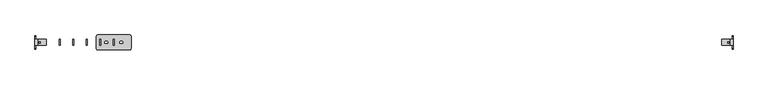
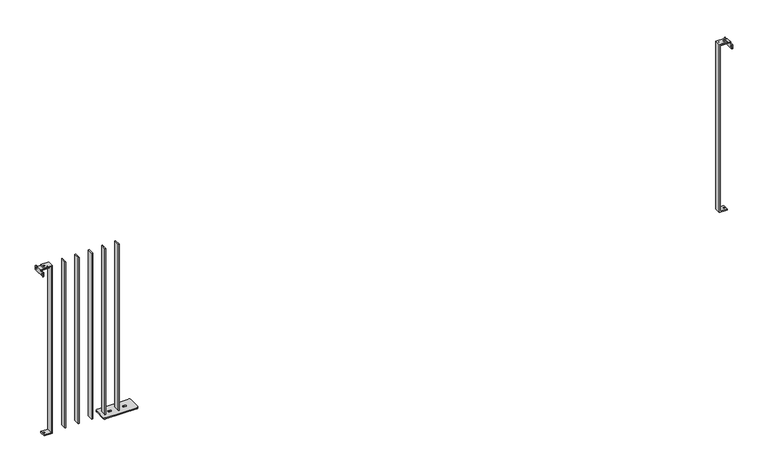
"""IFC4 building model written with IfcOpenShell, lengths in millimetres: railing geometry."""

from ifc_helpers import new_model, si_unit, frame, origin, place, context, project, spatial, polyline, circle_curve, outline, extrude, source, transform, mapped, element, save
from ifc_brep_helpers import plane_surface, cylinder_surface, revolved_surface, advanced_brep


def railing_ed0f3874(model_context):
    return source(origin(), model_context, "Body", "SolidModel", [
        advanced_brep(
        [(1839.4391725, -978.0676747, 1192.0), (1839.4391725, -978.0676747, 8.0), (1845.4391725, -978.0676747, 8.0), (1845.4391725, -978.0676747, 1192.0), (1839.4391725, -938.0676747, 1192.0), (1845.4391725, -938.0676747, 1192.0), (1845.4391725, -938.0676747, 8.0), (1839.4391725, -938.0676747, 8.0), (1737.4391725, -908.0676747, 8.0), (1727.4391725, -918.0676747, 8.0), (1727.4391725, -998.0676747, 8.0), (1737.4391725, -1008.0676747, 8.0), (1947.4391725, -1008.0676747, 8.0), (1957.4391725, -998.0676747, 8.0), (1957.4391725, -918.0676747, 8.0), (1947.4391725, -908.0676747, 8.0), (1788.4391725, -951.0676747, 8.0), (1796.4391725, -951.0676747, 8.0), (1796.4391725, -965.0676747, 8.0), (1788.4391725, -965.0676747, 8.0), (1896.4391725, -951.0676747, 8.0), (1896.4391725, -965.0676747, 8.0), (1888.4391725, -965.0676747, 8.0), (1888.4391725, -951.0676747, 8.0), (1737.4391725, -908.0676747, 0.0), (1947.4391725, -908.0676747, 0.0), (1957.4391725, -918.0676747, 0.0), (1957.4391725, -998.0676747, 0.0), (1947.4391725, -1008.0676747, 0.0), (1737.4391725, -1008.0676747, 0.0), (1727.4391725, -998.0676747, 0.0), (1727.4391725, -918.0676747, 0.0), (1788.4391725, -951.0676747, 0.0), (1788.4391725, -965.0676747, 0.0), (1796.4391725, -965.0676747, 0.0), (1796.4391725, -951.0676747, 0.0), (1896.4391725, -951.0676747, 0.0), (1888.4391725, -951.0676747, 0.0), (1888.4391725, -965.0676747, 0.0), (1896.4391725, -965.0676747, 0.0)],
        [
            (0, 1),
            (1, 2),
            (2, 3),
            (3, 0),
            (4, 5),
            (5, 6),
            (6, 7),
            (7, 4),
            (3, 5),
            (4, 0),
            (7, 1),
            (2, 6),
            (8, 9, circle_curve(frame((1737.4391725, -918.0676747, 8.0), z_axis=(0.0, 0.0, 1.0), x_axis=(0.0, 1.0, 0.0)), 10.0)),
            (9, 10),
            (10, 11, circle_curve(frame((1737.4391725, -998.0676747, 8.0), z_axis=(0.0, 0.0, 1.0), x_axis=(0.0, 1.0, 0.0)), 10.0)),
            (11, 12),
            (12, 13, circle_curve(frame((1947.4391725, -998.0676747, 8.0), z_axis=(0.0, 0.0, 1.0), x_axis=(0.0, 1.0, 0.0)), 10.0)),
            (13, 14),
            (14, 15, circle_curve(frame((1947.4391725, -918.0676747, 8.0), z_axis=(0.0, 0.0, 1.0), x_axis=(0.0, 1.0, 0.0)), 10.0)),
            (15, 8),
            (16, 17),
            (17, 18, circle_curve(frame((1796.4391725, -958.0676747, 8.0), z_axis=(0.0, 0.0, -1.0), x_axis=(0.0, 1.0, 0.0)), 7.0)),
            (18, 19),
            (19, 16, circle_curve(frame((1788.4391725, -958.0676747, 8.0), z_axis=(0.0, 0.0, -1.0), x_axis=(0.0, 1.0, 0.0)), 7.0)),
            (20, 21, circle_curve(frame((1896.4391725, -958.0676747, 8.0), z_axis=(0.0, 0.0, -1.0), x_axis=(0.0, 1.0, 0.0)), 7.0)),
            (21, 22),
            (22, 23, circle_curve(frame((1888.4391725, -958.0676747, 8.0), z_axis=(0.0, 0.0, -1.0), x_axis=(0.0, 1.0, 0.0)), 7.0)),
            (23, 20),
            (24, 25),
            (25, 26, circle_curve(frame((1947.4391725, -918.0676747, 0.0), z_axis=(0.0, 0.0, -1.0), x_axis=(0.0, 1.0, 0.0)), 10.0)),
            (26, 27),
            (27, 28, circle_curve(frame((1947.4391725, -998.0676747, 0.0), z_axis=(0.0, 0.0, -1.0), x_axis=(0.0, 1.0, 0.0)), 10.0)),
            (28, 29),
            (29, 30, circle_curve(frame((1737.4391725, -998.0676747, 0.0), z_axis=(0.0, 0.0, -1.0), x_axis=(0.0, 1.0, 0.0)), 10.0)),
            (30, 31),
            (31, 24, circle_curve(frame((1737.4391725, -918.0676747, 0.0), z_axis=(0.0, 0.0, -1.0), x_axis=(0.0, 1.0, 0.0)), 10.0)),
            (32, 33, circle_curve(frame((1788.4391725, -958.0676747, 0.0), z_axis=(0.0, 0.0, 1.0), x_axis=(0.0, 1.0, 0.0)), 7.0)),
            (33, 34),
            (34, 35, circle_curve(frame((1796.4391725, -958.0676747, 0.0), z_axis=(0.0, 0.0, 1.0), x_axis=(0.0, 1.0, 0.0)), 7.0)),
            (35, 32),
            (36, 37),
            (37, 38, circle_curve(frame((1888.4391725, -958.0676747, 0.0), z_axis=(0.0, 0.0, 1.0), x_axis=(0.0, 1.0, 0.0)), 7.0)),
            (38, 39),
            (39, 36, circle_curve(frame((1896.4391725, -958.0676747, 0.0), z_axis=(0.0, 0.0, 1.0), x_axis=(0.0, 1.0, 0.0)), 7.0)),
            (8, 24),
            (31, 9),
            (30, 10),
            (29, 11),
            (28, 12),
            (27, 13),
            (26, 14),
            (25, 15),
            (16, 32),
            (35, 17),
            (34, 18),
            (33, 19),
            (20, 36),
            (39, 21),
            (38, 22),
            (37, 23),
        ],
        [
            plane_surface(frame((1839.4391725, -978.0676747, 1192.0), z_axis=(0.0, -1.0, 0.0), x_axis=(-1.0, 0.0, 0.0))),
            plane_surface(frame((1839.4391725, -938.0676747, 1192.0), z_axis=(0.0, 1.0, 0.0), x_axis=(1.0, 0.0, 0.0))),
            plane_surface(frame((1839.4391725, -938.0676747, 1192.0), z_axis=(0.0, 0.0, 1.0), x_axis=(0.0, -1.0, 0.0))),
            plane_surface(frame((1839.4391725, -938.0676747, 8.0), z_axis=(-1.0, 0.0, 0.0), x_axis=(0.0, -1.0, 0.0))),
            plane_surface(frame((1845.4391725, -938.0676747, 1192.0), z_axis=(1.0, 0.0, 0.0), x_axis=(0.0, -1.0, 0.0))),
            plane_surface(frame((1737.4391725, -908.0676747, 8.0), z_axis=(0.0, 0.0, 1.0), x_axis=(-1.0, 0.0, 0.0))),
            plane_surface(frame((1737.4391725, -908.0676747, 0.0), z_axis=(0.0, 0.0, -1.0), x_axis=(1.0, 0.0, 0.0))),
            cylinder_surface(frame((1737.4391725, -918.0676747, 0.0), z_axis=(0.0, 0.0, 1.0), x_axis=(0.0, 1.0, 0.0)), 10.0),
            plane_surface(frame((1727.4391725, -918.0676747, 8.0), z_axis=(-1.0, 0.0, 0.0), x_axis=(0.0, 0.0, -1.0))),
            cylinder_surface(frame((1737.4391725, -998.0676747, 0.0), z_axis=(0.0, 0.0, 1.0), x_axis=(0.0, 1.0, 0.0)), 10.0),
            plane_surface(frame((1737.4391725, -1008.0676747, 8.0), z_axis=(0.0, -1.0, 0.0), x_axis=(0.0, 0.0, -1.0))),
            cylinder_surface(frame((1947.4391725, -998.0676747, 0.0), z_axis=(0.0, 0.0, 1.0), x_axis=(0.0, 1.0, 0.0)), 10.0),
            plane_surface(frame((1957.4391725, -998.0676747, 8.0), z_axis=(1.0, 0.0, 0.0), x_axis=(0.0, 0.0, -1.0))),
            cylinder_surface(frame((1947.4391725, -918.0676747, 0.0), z_axis=(0.0, 0.0, 1.0), x_axis=(0.0, 1.0, 0.0)), 10.0),
            plane_surface(frame((1947.4391725, -908.0676747, 8.0), z_axis=(0.0, 1.0, 0.0), x_axis=(0.0, 0.0, -1.0))),
            plane_surface(frame((1788.4391725, -951.0676747, 8.0), z_axis=(0.0, -1.0, 0.0), x_axis=(0.0, 0.0, -1.0))),
            revolved_surface(polyline([(1796.4391725, -951.0676747, 0.0), (1796.4391725, -951.0676747, 8.0)]), (1796.4391725, -958.0676747, 8.0), (0.0, 0.0, -1.0)),
            plane_surface(frame((1796.4391725, -965.0676747, 8.0), z_axis=(0.0, 1.0, 0.0), x_axis=(0.0, 0.0, -1.0))),
            revolved_surface(polyline([(1788.4391725, -951.0676747, 0.0), (1788.4391725, -951.0676747, 8.0)]), (1788.4391725, -958.0676747, 8.0), (0.0, 0.0, -1.0)),
            revolved_surface(polyline([(1896.4391725, -951.0676747, 0.0), (1896.4391725, -951.0676747, 8.0)]), (1896.4391725, -958.0676747, 8.0), (0.0, 0.0, -1.0)),
            plane_surface(frame((1896.4391725, -965.0676747, 8.0), z_axis=(0.0, 1.0, 0.0), x_axis=(0.0, 0.0, -1.0))),
            revolved_surface(polyline([(1888.4391725, -951.0676747, 0.0), (1888.4391725, -951.0676747, 8.0)]), (1888.4391725, -958.0676747, 8.0), (0.0, 0.0, -1.0)),
            plane_surface(frame((1888.4391725, -951.0676747, 8.0), z_axis=(0.0, -1.0, 0.0), x_axis=(0.0, 0.0, -1.0))),
        ],
        [
            (0, [[1, 2, 3, 4]]),
            (1, [[5, 6, 7, 8]]),
            (2, [[-4, 9, -5, 10]]),
            (3, [[-1, -10, -8, 11]]),
            (4, [[-3, 12, -6, -9]]),
            (5, [[13, 14, 15, 16, 17, 18, 19, 20], [-2, -11, -7, -12], [21, 22, 23, 24], [25, 26, 27, 28]]),
            (6, [[29, 30, 31, 32, 33, 34, 35, 36], [37, 38, 39, 40], [41, 42, 43, 44]]),
            (7, [[-13, 45, -36, 46]]),
            (8, [[-14, -46, -35, 47]]),
            (9, [[-15, -47, -34, 48]]),
            (10, [[-16, -48, -33, 49]]),
            (11, [[-17, -49, -32, 50]]),
            (12, [[-18, -50, -31, 51]]),
            (13, [[-19, -51, -30, 52]]),
            (14, [[-20, -52, -29, -45]]),
            (15, [[-21, 53, -40, 54]]),
            (16, [[-22, -54, -39, 55]]),
            (17, [[-23, -55, -38, 56]]),
            (18, [[-24, -56, -37, -53]]),
            (19, [[-25, 57, -44, 58]]),
            (20, [[-26, -58, -43, 59]]),
            (21, [[-27, -59, -42, 60]]),
            (22, [[-28, -60, -41, -57]]),
        ],
    ),
        extrude(outline(polyline([(1749.4391725, -938.0676747), (1755.4391725, -938.0676747), (1755.4391725, -978.0676747), (1749.4391725, -978.0676747), (1749.4391725, -938.0676747)])), frame((0.0, 0.0, 8.0), z_axis=(0.0, 0.0, 1.0), x_axis=(1.0, 0.0, 0.0)), (0.0, 0.0, 1.0), 1184.0),
        extrude(outline(polyline([(1659.4391725, -938.0676747), (1665.4391725, -938.0676747), (1665.4391725, -978.0676747), (1659.4391725, -978.0676747), (1659.4391725, -938.0676747)])), frame((0.0, 0.0, 8.0), z_axis=(0.0, 0.0, 1.0), x_axis=(1.0, 0.0, 0.0)), (0.0, 0.0, 1.0), 1184.0),
        extrude(outline(polyline([(1569.4391725, -938.0676747), (1575.4391725, -938.0676747), (1575.4391725, -978.0676747), (1569.4391725, -978.0676747), (1569.4391725, -938.0676747)])), frame((0.0, 0.0, 8.0), z_axis=(0.0, 0.0, 1.0), x_axis=(1.0, 0.0, 0.0)), (0.0, 0.0, 1.0), 1184.0),
        extrude(outline(polyline([(1479.4391725, -938.0676747), (1485.4391725, -938.0676747), (1485.4391725, -978.0676747), (1479.4391725, -978.0676747), (1479.4391725, -938.0676747)])), frame((0.0, 0.0, 8.0), z_axis=(0.0, 0.0, 1.0), x_axis=(1.0, 0.0, 0.0)), (0.0, 0.0, 1.0), 1184.0),
        advanced_brep(
        [(5967.4391725, -978.0676747, 1192.0), (5967.4391725, -938.0676747, 1192.0), (5912.4391725, -938.0676747, 1192.0), (5907.4391725, -943.0676747, 1192.0), (5907.4391725, -973.0676747, 1192.0), (5912.4391725, -978.0676747, 1192.0), (5939.4391725, -962.5676747, 1192.0), (5919.4391725, -962.5676747, 1192.0), (5919.4391725, -953.5676747, 1192.0), (5939.4391725, -953.5676747, 1192.0), (5912.4391725, -978.0676747, 1187.0), (5907.4391725, -973.0676747, 1187.0), (5907.4391725, -943.0676747, 1187.0), (5912.4391725, -938.0676747, 1187.0), (5962.4391725, -938.0676747, 1187.0), (5962.4391725, -978.0676747, 1187.0), (5939.4391725, -962.5676747, 1187.0), (5939.4391725, -953.5676747, 1187.0), (5919.4391725, -953.5676747, 1187.0), (5919.4391725, -962.5676747, 1187.0), (5967.4391725, -978.0676747, 1187.0), (5967.4391725, -938.0676747, 1187.0), (5967.4391725, -998.0676747, 1187.0), (5967.4391725, -1003.0676747, 1182.0), (5967.4391725, -1003.0676747, 1162.0), (5967.4391725, -998.0676747, 1157.0), (5967.4391725, -918.0676747, 1157.0), (5967.4391725, -913.0676747, 1162.0), (5967.4391725, -913.0676747, 1182.0), (5967.4391725, -918.0676747, 1187.0), (5967.4391725, -927.0676747, 1172.0), (5967.4391725, -918.0676747, 1172.0), (5967.4391725, -998.0676747, 1172.0), (5967.4391725, -989.0676747, 1172.0), (5962.4391725, -1003.0676747, 1162.0), (5962.4391725, -1003.0676747, 1182.0), (5962.4391725, -998.0676747, 1187.0), (5962.4391725, -918.0676747, 1187.0), (5962.4391725, -913.0676747, 1182.0), (5962.4391725, -913.0676747, 1162.0), (5962.4391725, -918.0676747, 1157.0), (5962.4391725, -998.0676747, 1157.0), (5962.4391725, -927.0676747, 1172.0), (5962.4391725, -918.0676747, 1172.0), (5962.4391725, -998.0676747, 1172.0), (5962.4391725, -989.0676747, 1172.0)],
        [
            (0, 1),
            (1, 2),
            (2, 3, circle_curve(frame((5912.4391725, -943.0676747, 1192.0), z_axis=(0.0, 0.0, 1.0), x_axis=(0.0, 1.0, 0.0)), 5.0)),
            (3, 4),
            (4, 5, circle_curve(frame((5912.4391725, -973.0676747, 1192.0), z_axis=(0.0, 0.0, 1.0), x_axis=(0.0, 1.0, 0.0)), 5.0)),
            (5, 0),
            (6, 7),
            (7, 8, circle_curve(frame((5919.4391725, -958.0676747, 1192.0), z_axis=(0.0, 0.0, -1.0), x_axis=(0.0, 1.0, 0.0)), 4.5)),
            (8, 9),
            (9, 6, circle_curve(frame((5939.4391725, -958.0676747, 1192.0), z_axis=(0.0, 0.0, -1.0), x_axis=(0.0, 1.0, 0.0)), 4.5)),
            (10, 11, circle_curve(frame((5912.4391725, -973.0676747, 1187.0), z_axis=(0.0, 0.0, -1.0), x_axis=(0.0, 1.0, 0.0)), 5.0)),
            (11, 12),
            (12, 13, circle_curve(frame((5912.4391725, -943.0676747, 1187.0), z_axis=(0.0, 0.0, -1.0), x_axis=(0.0, 1.0, 0.0)), 5.0)),
            (13, 14),
            (14, 15),
            (15, 10),
            (16, 17, circle_curve(frame((5939.4391725, -958.0676747, 1187.0), z_axis=(0.0, 0.0, 1.0), x_axis=(0.0, 1.0, 0.0)), 4.5)),
            (17, 18),
            (18, 19, circle_curve(frame((5919.4391725, -958.0676747, 1187.0), z_axis=(0.0, 0.0, 1.0), x_axis=(0.0, 1.0, 0.0)), 4.5)),
            (19, 16),
            (5, 10),
            (15, 20),
            (20, 0),
            (3, 12),
            (11, 4),
            (1, 21),
            (21, 14),
            (13, 2),
            (20, 22),
            (22, 23, circle_curve(frame((5967.4391725, -998.0676747, 1182.0), z_axis=(1.0, 0.0, 0.0), x_axis=(0.0, 1.0, 0.0)), 5.0)),
            (23, 24),
            (24, 25, circle_curve(frame((5967.4391725, -998.0676747, 1162.0), z_axis=(1.0, 0.0, 0.0), x_axis=(0.0, 1.0, 0.0)), 5.0)),
            (25, 26),
            (26, 27, circle_curve(frame((5967.4391725, -918.0676747, 1162.0), z_axis=(1.0, 0.0, 0.0), x_axis=(0.0, 1.0, 0.0)), 5.0)),
            (27, 28),
            (28, 29, circle_curve(frame((5967.4391725, -918.0676747, 1182.0), z_axis=(1.0, 0.0, 0.0), x_axis=(0.0, 1.0, 0.0)), 5.0)),
            (29, 21),
            (30, 31, circle_curve(frame((5967.4391725, -922.5676747, 1172.0), z_axis=(-1.0, 0.0, 0.0), x_axis=(0.0, 1.0, 0.0)), 4.5)),
            (31, 30, circle_curve(frame((5967.4391725, -922.5676747, 1172.0), z_axis=(-1.0, 0.0, 0.0), x_axis=(0.0, 1.0, 0.0)), 4.5)),
            (32, 33, circle_curve(frame((5967.4391725, -993.5676747, 1172.0), z_axis=(-1.0, 0.0, 0.0), x_axis=(0.0, 1.0, 0.0)), 4.5)),
            (33, 32, circle_curve(frame((5967.4391725, -993.5676747, 1172.0), z_axis=(-1.0, 0.0, 0.0), x_axis=(0.0, 1.0, 0.0)), 4.5)),
            (9, 17),
            (16, 6),
            (8, 18),
            (7, 19),
            (34, 35),
            (35, 36, circle_curve(frame((5962.4391725, -998.0676747, 1182.0), z_axis=(-1.0, 0.0, 0.0), x_axis=(0.0, 1.0, 0.0)), 5.0)),
            (36, 15),
            (14, 37),
            (37, 38, circle_curve(frame((5962.4391725, -918.0676747, 1182.0), z_axis=(-1.0, 0.0, 0.0), x_axis=(0.0, 1.0, 0.0)), 5.0)),
            (38, 39),
            (39, 40, circle_curve(frame((5962.4391725, -918.0676747, 1162.0), z_axis=(-1.0, 0.0, 0.0), x_axis=(0.0, 1.0, 0.0)), 5.0)),
            (40, 41),
            (41, 34, circle_curve(frame((5962.4391725, -998.0676747, 1162.0), z_axis=(-1.0, 0.0, 0.0), x_axis=(0.0, 1.0, 0.0)), 5.0)),
            (42, 43, circle_curve(frame((5962.4391725, -922.5676747, 1172.0), z_axis=(1.0, 0.0, 0.0), x_axis=(0.0, 1.0, 0.0)), 4.5)),
            (43, 42, circle_curve(frame((5962.4391725, -922.5676747, 1172.0), z_axis=(1.0, 0.0, 0.0), x_axis=(0.0, 1.0, 0.0)), 4.5)),
            (44, 45, circle_curve(frame((5962.4391725, -993.5676747, 1172.0), z_axis=(1.0, 0.0, 0.0), x_axis=(0.0, 1.0, 0.0)), 4.5)),
            (45, 44, circle_curve(frame((5962.4391725, -993.5676747, 1172.0), z_axis=(1.0, 0.0, 0.0), x_axis=(0.0, 1.0, 0.0)), 4.5)),
            (41, 25),
            (24, 34),
            (40, 26),
            (39, 27),
            (38, 28),
            (37, 29),
            (36, 22),
            (35, 23),
            (43, 31),
            (30, 42),
            (45, 33),
            (32, 44),
        ],
        [
            plane_surface(frame((5967.4391725, -938.0676747, 1192.0), z_axis=(0.0, 0.0, 1.0), x_axis=(0.0, 1.0, 0.0))),
            plane_surface(frame((5967.4391725, -938.0676747, 1187.0), z_axis=(0.0, 0.0, -1.0), x_axis=(0.0, -1.0, 0.0))),
            plane_surface(frame((5912.4391725, -978.0676747, 1192.0), z_axis=(0.0, -1.0, 0.0), x_axis=(0.0, 0.0, -1.0))),
            plane_surface(frame((5907.4391725, -943.0676747, 1192.0), z_axis=(-1.0, 0.0, 0.0), x_axis=(0.0, 0.0, -1.0))),
            plane_surface(frame((5967.4391725, -938.0676747, 1192.0), z_axis=(0.0, 1.0, 0.0), x_axis=(0.0, 0.0, -1.0))),
            plane_surface(frame((5967.4391725, -978.0676747, 1192.0), z_axis=(1.0, 0.0, 0.0), x_axis=(0.0, 0.0, -1.0))),
            revolved_surface(polyline([(5939.4391725, -953.5676747, 1187.0), (5939.4391725, -953.5676747, 1192.0)]), (5939.4391725, -958.0676747, 8.0), (0.0, 0.0, -1.0)),
            plane_surface(frame((5919.4391725, -953.5676747, 1192.0), z_axis=(0.0, -1.0, 0.0), x_axis=(0.0, 0.0, -1.0))),
            revolved_surface(polyline([(5919.4391725, -953.5676747, 1187.0), (5919.4391725, -953.5676747, 1192.0)]), (5919.4391725, -958.0676747, 8.0), (0.0, 0.0, -1.0)),
            plane_surface(frame((5939.4391725, -962.5676747, 1192.0), z_axis=(0.0, 1.0, 0.0), x_axis=(0.0, 0.0, -1.0))),
            cylinder_surface(frame((5912.4391725, -973.0676747, 1187.0), z_axis=(0.0, 0.0, 1.0), x_axis=(0.0, 1.0, 0.0)), 5.0),
            cylinder_surface(frame((5912.4391725, -943.0676747, 1187.0), z_axis=(0.0, 0.0, 1.0), x_axis=(0.0, 1.0, 0.0)), 5.0),
            plane_surface(frame((5962.4391725, -1003.0676747, 1182.0), z_axis=(-1.0, 0.0, 0.0), x_axis=(0.0, 0.0, 1.0))),
            cylinder_surface(frame((5967.4391725, -998.0676747, 1162.0), z_axis=(-1.0, 0.0, 0.0), x_axis=(0.0, 1.0, 0.0)), 5.0),
            plane_surface(frame((5962.4391725, -918.0676747, 1157.0), z_axis=(0.0, 0.0, -1.0), x_axis=(1.0, 0.0, 0.0))),
            cylinder_surface(frame((5967.4391725, -918.0676747, 1162.0), z_axis=(-1.0, 0.0, 0.0), x_axis=(0.0, 1.0, 0.0)), 5.0),
            plane_surface(frame((5962.4391725, -913.0676747, 1182.0), z_axis=(0.0, 1.0, -1.4535799231360046e-11), x_axis=(1.0, 0.0, 0.0))),
            cylinder_surface(frame((5967.4391725, -918.0676747, 1182.0), z_axis=(-1.0, 0.0, 0.0), x_axis=(0.0, 1.0, 0.0)), 5.0),
            plane_surface(frame((5962.4391725, -998.0676747, 1187.0), z_axis=(0.0, 3.6343728027077567e-12, 1.0), x_axis=(1.0, 0.0, 0.0))),
            cylinder_surface(frame((5967.4391725, -998.0676747, 1182.0), z_axis=(-1.0, 0.0, 0.0), x_axis=(0.0, 1.0, 0.0)), 5.0),
            plane_surface(frame((5962.4391725, -1003.0676747, 1162.0), z_axis=(0.0, -1.0, 0.0), x_axis=(1.0, 0.0, 0.0))),
            revolved_surface(polyline([(5967.4391725, -918.0676747, 1172.0), (5962.4391725, -918.0676747, 1172.0)]), (5892.4391725, -922.5676747, 1172.0), (1.0, 0.0, 0.0)),
            revolved_surface(polyline([(5967.4391725, -989.0676747, 1172.0), (5962.4391725, -989.0676747, 1172.0)]), (5892.4391725, -993.5676747, 1172.0), (1.0, 0.0, 0.0)),
        ],
        [
            (0, [[1, 2, 3, 4, 5, 6], [7, 8, 9, 10]]),
            (1, [[11, 12, 13, 14, 15, 16], [17, 18, 19, 20]]),
            (2, [[-6, 21, -16, 22, 23]]),
            (3, [[-4, 24, -12, 25]]),
            (4, [[-2, 26, 27, -14, 28]]),
            (5, [[-1, -23, 29, 30, 31, 32, 33, 34, 35, 36, 37, -26], [38, 39], [40, 41]]),
            (6, [[-10, 42, -17, 43]]),
            (7, [[-9, 44, -18, -42]]),
            (8, [[-8, 45, -19, -44]]),
            (9, [[-7, -43, -20, -45]]),
            (10, [[-5, -25, -11, -21]]),
            (11, [[-3, -28, -13, -24]]),
            (12, [[46, 47, 48, -15, 49, 50, 51, 52, 53, 54], [55, 56], [57, 58]]),
            (13, [[-54, 59, -32, 60]]),
            (14, [[-53, 61, -33, -59]]),
            (15, [[-52, 62, -34, -61]]),
            (16, [[-51, 63, -35, -62]]),
            (17, [[-50, 64, -36, -63]]),
            (18, [[-64, -49, -27, -37]]),
            (18, [[65, -29, -22, -48]]),
            (19, [[-47, 66, -30, -65]]),
            (20, [[-46, -60, -31, -66]]),
            (21, [[-56, 67, -38, 68]]),
            (21, [[-55, -68, -39, -67]]),
            (22, [[-58, 69, -40, 70]]),
            (22, [[-57, -70, -41, -69]]),
        ],
    ),
        advanced_brep(
        [(5892.4391725, -978.0676747, 1200.0), (5892.4391725, -978.0676747, 0.0), (5945.4391725, -978.0676747, 0.0), (5945.4391725, -978.0676747, 8.0), (5898.4391725, -978.0676747, 8.0), (5898.4391725, -978.0676747, 1192.0), (5945.4391725, -978.0676747, 1192.0), (5945.4391725, -978.0676747, 1200.0), (5892.4391725, -938.0676747, 1200.0), (5945.4391725, -938.0676747, 1200.0), (5945.4391725, -938.0676747, 1192.0), (5898.4391725, -938.0676747, 1192.0), (5898.4391725, -938.0676747, 8.0), (5945.4391725, -938.0676747, 8.0), (5945.4391725, -938.0676747, 0.0), (5892.4391725, -938.0676747, 0.0), (5939.9391725, -958.0676747, 0.0), (5930.9391725, -958.0676747, 0.0), (5930.9391725, -958.0676747, 8.0), (5939.9391725, -958.0676747, 8.0), (5939.9391725, -958.0676747, 1192.0), (5930.9391725, -958.0676747, 1192.0), (5930.9391725, -958.0676747, 1200.0), (5939.9391725, -958.0676747, 1200.0)],
        [
            (0, 1),
            (1, 2),
            (2, 3),
            (3, 4),
            (4, 5),
            (5, 6),
            (6, 7),
            (7, 0),
            (8, 9),
            (9, 10),
            (10, 11),
            (11, 12),
            (12, 13),
            (13, 14),
            (14, 15),
            (15, 8),
            (0, 8),
            (15, 1),
            (14, 2),
            (16, 17, circle_curve(frame((5935.4391725, -958.0676747, 0.0), z_axis=(0.0, 0.0, 1.0), x_axis=(1.0, 0.0, 0.0)), 4.5)),
            (17, 16, circle_curve(frame((5935.4391725, -958.0676747, 0.0), z_axis=(0.0, 0.0, 1.0), x_axis=(1.0, 0.0, 0.0)), 4.5)),
            (13, 3),
            (12, 4),
            (18, 19, circle_curve(frame((5935.4391725, -958.0676747, 8.0), z_axis=(0.0, 0.0, -1.0), x_axis=(1.0, 0.0, 0.0)), 4.5)),
            (19, 18, circle_curve(frame((5935.4391725, -958.0676747, 8.0), z_axis=(0.0, 0.0, -1.0), x_axis=(1.0, 0.0, 0.0)), 4.5)),
            (11, 5),
            (10, 6),
            (20, 21, circle_curve(frame((5935.4391725, -958.0676747, 1192.0), z_axis=(0.0, 0.0, 1.0), x_axis=(1.0, 0.0, 0.0)), 4.5)),
            (21, 20, circle_curve(frame((5935.4391725, -958.0676747, 1192.0), z_axis=(0.0, 0.0, 1.0), x_axis=(1.0, 0.0, 0.0)), 4.5)),
            (9, 7),
            (22, 23, circle_curve(frame((5935.4391725, -958.0676747, 1200.0), z_axis=(0.0, 0.0, -1.0), x_axis=(1.0, 0.0, 0.0)), 4.5)),
            (23, 22, circle_curve(frame((5935.4391725, -958.0676747, 1200.0), z_axis=(0.0, 0.0, -1.0), x_axis=(1.0, 0.0, 0.0)), 4.5)),
            (16, 19),
            (18, 17),
            (20, 23),
            (22, 21),
        ],
        [
            plane_surface(frame((5892.4391725, -978.0676747, 1200.0), z_axis=(0.0, -1.0, 0.0), x_axis=(-1.0, 0.0, 0.0))),
            plane_surface(frame((5892.4391725, -938.0676747, 1200.0), z_axis=(0.0, 1.0, 0.0), x_axis=(1.0, 0.0, 0.0))),
            plane_surface(frame((5892.4391725, -938.0676747, 0.0), z_axis=(-1.0, 0.0, 0.0), x_axis=(0.0, -1.0, 0.0))),
            plane_surface(frame((5945.4391725, -938.0676747, 0.0), z_axis=(0.0, 0.0, -1.0), x_axis=(0.0, -1.0, 0.0))),
            plane_surface(frame((5945.4391725, -938.0676747, 8.0), z_axis=(1.0, 0.0, 1.737451849059295e-12), x_axis=(0.0, -1.0, 0.0))),
            plane_surface(frame((5898.4391725, -938.0676747, 8.0), z_axis=(0.0, 0.0, 1.0), x_axis=(0.0, -1.0, 0.0))),
            plane_surface(frame((5898.4391725, -938.0676747, 1192.0), z_axis=(1.0, 0.0, 0.0), x_axis=(0.0, -1.0, 0.0))),
            plane_surface(frame((5945.4391725, -938.0676747, 1192.0), z_axis=(0.0, 0.0, -1.0), x_axis=(0.0, -1.0, 0.0))),
            plane_surface(frame((5945.4391725, -938.0676747, 1200.0), z_axis=(1.0, 0.0, 0.0), x_axis=(0.0, -1.0, 0.0))),
            plane_surface(frame((5892.4391725, -938.0676747, 1200.0), z_axis=(0.0, 0.0, 1.0), x_axis=(0.0, -1.0, 0.0))),
            revolved_surface(polyline([(5939.9391725, -958.0676747, 8.0), (5939.9391725, -958.0676747, 0.0)]), (5935.4391725, -958.0676747, -800.0), (0.0, 0.0, 1.0)),
            revolved_surface(polyline([(5939.9391725, -958.0676747, 1200.0), (5939.9391725, -958.0676747, 1192.0)]), (5935.4391725, -958.0676747, -800.0), (0.0, 0.0, 1.0)),
        ],
        [
            (0, [[1, 2, 3, 4, 5, 6, 7, 8]]),
            (1, [[9, 10, 11, 12, 13, 14, 15, 16]]),
            (2, [[-1, 17, -16, 18]]),
            (3, [[-2, -18, -15, 19], [20, 21]]),
            (4, [[-3, -19, -14, 22]]),
            (5, [[-4, -22, -13, 23], [24, 25]]),
            (6, [[-5, -23, -12, 26]]),
            (7, [[-6, -26, -11, 27], [28, 29]]),
            (8, [[-7, -27, -10, 30]]),
            (9, [[-8, -30, -9, -17], [31, 32]]),
            (10, [[33, -24, 34, -20]]),
            (11, [[35, -31, 36, -28]]),
            (10, [[-33, -21, -34, -25]]),
            (11, [[-35, -29, -36, -32]]),
        ],
    ),
        advanced_brep(
        [(1317.4391725, -978.0676747, 1192.0), (1372.4391725, -978.0676747, 1192.0), (1377.4391725, -973.0676747, 1192.0), (1377.4391725, -943.0676747, 1192.0), (1372.4391725, -938.0676747, 1192.0), (1317.4391725, -938.0676747, 1192.0), (1345.4391725, -962.5676747, 1192.0), (1345.4391725, -953.5676747, 1192.0), (1365.4391725, -953.5676747, 1192.0), (1365.4391725, -962.5676747, 1192.0), (1372.4391725, -938.0676747, 1187.0), (1377.4391725, -943.0676747, 1187.0), (1377.4391725, -973.0676747, 1187.0), (1372.4391725, -978.0676747, 1187.0), (1322.4391725, -978.0676747, 1187.0), (1322.4391725, -938.0676747, 1187.0), (1345.4391725, -962.5676747, 1187.0), (1365.4391725, -962.5676747, 1187.0), (1365.4391725, -953.5676747, 1187.0), (1345.4391725, -953.5676747, 1187.0), (1317.4391725, -978.0676747, 1187.0), (1317.4391725, -938.0676747, 1187.0), (1317.4391725, -918.0676747, 1187.0), (1317.4391725, -913.0676747, 1182.0), (1317.4391725, -913.0676747, 1162.0), (1317.4391725, -918.0676747, 1157.0), (1317.4391725, -998.0676747, 1157.0), (1317.4391725, -1003.0676747, 1162.0), (1317.4391725, -1003.0676747, 1182.0), (1317.4391725, -998.0676747, 1187.0), (1317.4391725, -927.0676747, 1172.0), (1317.4391725, -918.0676747, 1172.0), (1317.4391725, -998.0676747, 1172.0), (1317.4391725, -989.0676747, 1172.0), (1322.4391725, -1003.0676747, 1162.0), (1322.4391725, -998.0676747, 1157.0), (1322.4391725, -918.0676747, 1157.0), (1322.4391725, -913.0676747, 1162.0), (1322.4391725, -913.0676747, 1182.0), (1322.4391725, -918.0676747, 1187.0), (1322.4391725, -998.0676747, 1187.0), (1322.4391725, -1003.0676747, 1182.0), (1322.4391725, -927.0676747, 1172.0), (1322.4391725, -918.0676747, 1172.0), (1322.4391725, -998.0676747, 1172.0), (1322.4391725, -989.0676747, 1172.0)],
        [
            (0, 1),
            (1, 2, circle_curve(frame((1372.4391725, -973.0676747, 1192.0), z_axis=(0.0, 0.0, 1.0), x_axis=(0.0, 1.0, 0.0)), 5.0)),
            (2, 3),
            (3, 4, circle_curve(frame((1372.4391725, -943.0676747, 1192.0), z_axis=(0.0, 0.0, 1.0), x_axis=(0.0, 1.0, 0.0)), 5.0)),
            (4, 5),
            (5, 0),
            (6, 7, circle_curve(frame((1345.4391725, -958.0676747, 1192.0), z_axis=(0.0, 0.0, -1.0), x_axis=(0.0, 1.0, 0.0)), 4.5)),
            (7, 8),
            (8, 9, circle_curve(frame((1365.4391725, -958.0676747, 1192.0), z_axis=(0.0, 0.0, -1.0), x_axis=(0.0, 1.0, 0.0)), 4.5)),
            (9, 6),
            (10, 11, circle_curve(frame((1372.4391725, -943.0676747, 1187.0), z_axis=(0.0, 0.0, -1.0), x_axis=(0.0, 1.0, 0.0)), 5.0)),
            (11, 12),
            (12, 13, circle_curve(frame((1372.4391725, -973.0676747, 1187.0), z_axis=(0.0, 0.0, -1.0), x_axis=(0.0, 1.0, 0.0)), 5.0)),
            (13, 14),
            (14, 15),
            (15, 10),
            (16, 17),
            (17, 18, circle_curve(frame((1365.4391725, -958.0676747, 1187.0), z_axis=(0.0, 0.0, 1.0), x_axis=(0.0, 1.0, 0.0)), 4.5)),
            (18, 19),
            (19, 16, circle_curve(frame((1345.4391725, -958.0676747, 1187.0), z_axis=(0.0, 0.0, 1.0), x_axis=(0.0, 1.0, 0.0)), 4.5)),
            (0, 20),
            (20, 14),
            (13, 1),
            (2, 12),
            (11, 3),
            (4, 10),
            (15, 21),
            (21, 5),
            (21, 22),
            (22, 23, circle_curve(frame((1317.4391725, -918.0676747, 1182.0), z_axis=(-1.0, 0.0, 0.0), x_axis=(0.0, 1.0, 0.0)), 5.0)),
            (23, 24),
            (24, 25, circle_curve(frame((1317.4391725, -918.0676747, 1162.0), z_axis=(-1.0, 0.0, 0.0), x_axis=(0.0, 1.0, 0.0)), 5.0)),
            (25, 26),
            (26, 27, circle_curve(frame((1317.4391725, -998.0676747, 1162.0), z_axis=(-1.0, 0.0, 0.0), x_axis=(0.0, 1.0, 0.0)), 5.0)),
            (27, 28),
            (28, 29, circle_curve(frame((1317.4391725, -998.0676747, 1182.0), z_axis=(-1.0, 0.0, 0.0), x_axis=(0.0, 1.0, 0.0)), 5.0)),
            (29, 20),
            (30, 31, circle_curve(frame((1317.4391725, -922.5676747, 1172.0), z_axis=(1.0, 0.0, 0.0), x_axis=(0.0, 1.0, 0.0)), 4.5)),
            (31, 30, circle_curve(frame((1317.4391725, -922.5676747, 1172.0), z_axis=(1.0, 0.0, 0.0), x_axis=(0.0, 1.0, 0.0)), 4.5)),
            (32, 33, circle_curve(frame((1317.4391725, -993.5676747, 1172.0), z_axis=(1.0, 0.0, 0.0), x_axis=(0.0, 1.0, 0.0)), 4.5)),
            (33, 32, circle_curve(frame((1317.4391725, -993.5676747, 1172.0), z_axis=(1.0, 0.0, 0.0), x_axis=(0.0, 1.0, 0.0)), 4.5)),
            (6, 16),
            (19, 7),
            (18, 8),
            (17, 9),
            (34, 35, circle_curve(frame((1322.4391725, -998.0676747, 1162.0), z_axis=(1.0, 0.0, 0.0), x_axis=(0.0, 1.0, 0.0)), 5.0)),
            (35, 36),
            (36, 37, circle_curve(frame((1322.4391725, -918.0676747, 1162.0), z_axis=(1.0, 0.0, 0.0), x_axis=(0.0, 1.0, 0.0)), 5.0)),
            (37, 38),
            (38, 39, circle_curve(frame((1322.4391725, -918.0676747, 1182.0), z_axis=(1.0, 0.0, 0.0), x_axis=(0.0, 1.0, 0.0)), 5.0)),
            (39, 15),
            (14, 40),
            (40, 41, circle_curve(frame((1322.4391725, -998.0676747, 1182.0), z_axis=(1.0, 0.0, 0.0), x_axis=(0.0, 1.0, 0.0)), 5.0)),
            (41, 34),
            (42, 43, circle_curve(frame((1322.4391725, -922.5676747, 1172.0), z_axis=(-1.0, 0.0, 0.0), x_axis=(0.0, 1.0, 0.0)), 4.5)),
            (43, 42, circle_curve(frame((1322.4391725, -922.5676747, 1172.0), z_axis=(-1.0, 0.0, 0.0), x_axis=(0.0, 1.0, 0.0)), 4.5)),
            (44, 45, circle_curve(frame((1322.4391725, -993.5676747, 1172.0), z_axis=(-1.0, 0.0, 0.0), x_axis=(0.0, 1.0, 0.0)), 4.5)),
            (45, 44, circle_curve(frame((1322.4391725, -993.5676747, 1172.0), z_axis=(-1.0, 0.0, 0.0), x_axis=(0.0, 1.0, 0.0)), 4.5)),
            (34, 27),
            (26, 35),
            (25, 36),
            (24, 37),
            (23, 38),
            (22, 39),
            (29, 40),
            (28, 41),
            (42, 30),
            (31, 43),
            (44, 32),
            (33, 45),
        ],
        [
            plane_surface(frame((1317.4391725, -978.0676747, 1192.0), z_axis=(0.0, 0.0, 1.0), x_axis=(1.0, 0.0, 0.0))),
            plane_surface(frame((1317.4391725, -978.0676747, 1187.0), z_axis=(0.0, 0.0, -1.0), x_axis=(-1.0, 0.0, 0.0))),
            plane_surface(frame((1317.4391725, -978.0676747, 1192.0), z_axis=(0.0, -1.0, 0.0), x_axis=(0.0, 0.0, -1.0))),
            plane_surface(frame((1377.4391725, -973.0676747, 1192.0), z_axis=(1.0, 0.0, 0.0), x_axis=(0.0, 0.0, -1.0))),
            plane_surface(frame((1372.4391725, -938.0676747, 1192.0), z_axis=(0.0, 1.0, 0.0), x_axis=(0.0, 0.0, -1.0))),
            plane_surface(frame((1317.4391725, -938.0676747, 1192.0), z_axis=(-1.0, 0.0, 0.0), x_axis=(0.0, 0.0, -1.0))),
            revolved_surface(polyline([(1345.4391725, -953.5676747, 1187.0), (1345.4391725, -953.5676747, 1192.0)]), (1345.4391725, -958.0676747, 8.0), (0.0, 0.0, -1.0)),
            plane_surface(frame((1345.4391725, -953.5676747, 1192.0), z_axis=(0.0, -1.0, 0.0), x_axis=(0.0, 0.0, -1.0))),
            revolved_surface(polyline([(1365.4391725, -953.5676747, 1187.0), (1365.4391725, -953.5676747, 1192.0)]), (1365.4391725, -958.0676747, 8.0), (0.0, 0.0, -1.0)),
            plane_surface(frame((1365.4391725, -962.5676747, 1192.0), z_axis=(0.0, 1.0, 0.0), x_axis=(0.0, 0.0, -1.0))),
            cylinder_surface(frame((1372.4391725, -973.0676747, 1187.0), z_axis=(0.0, 0.0, 1.0), x_axis=(0.0, 1.0, 0.0)), 5.0),
            cylinder_surface(frame((1372.4391725, -943.0676747, 1187.0), z_axis=(0.0, 0.0, 1.0), x_axis=(0.0, 1.0, 0.0)), 5.0),
            plane_surface(frame((1322.4391725, -993.0676747, 1162.0), z_axis=(1.0, 0.0, 0.0), x_axis=(0.0, 0.0, 1.0))),
            cylinder_surface(frame((1317.4391725, -998.0676747, 1162.0), z_axis=(1.0, 0.0, 0.0), x_axis=(0.0, 1.0, 0.0)), 5.0),
            plane_surface(frame((1322.4391725, -998.0676747, 1157.0), z_axis=(0.0, 0.0, -1.0), x_axis=(-1.0, 0.0, 0.0))),
            cylinder_surface(frame((1317.4391725, -918.0676747, 1162.0), z_axis=(1.0, 0.0, 0.0), x_axis=(0.0, 1.0, 0.0)), 5.0),
            plane_surface(frame((1322.4391725, -913.0676747, 1162.0), z_axis=(0.0, 1.0, -1.4496883693901628e-11), x_axis=(-1.0, 0.0, 0.0))),
            cylinder_surface(frame((1317.4391725, -918.0676747, 1182.0), z_axis=(1.0, 0.0, 0.0), x_axis=(0.0, 1.0, 0.0)), 5.0),
            plane_surface(frame((1322.4391725, -918.0676747, 1187.0), z_axis=(0.0, 3.624220923357692e-12, 1.0), x_axis=(-1.0, 0.0, 0.0))),
            cylinder_surface(frame((1317.4391725, -998.0676747, 1182.0), z_axis=(1.0, 0.0, 0.0), x_axis=(0.0, 1.0, 0.0)), 5.0),
            plane_surface(frame((1322.4391725, -1003.0676747, 1182.0), z_axis=(0.0, -1.0, -1.4188520358413348e-11), x_axis=(-1.0, 0.0, 0.0))),
            revolved_surface(polyline([(1317.4391725, -918.0676747, 1172.0), (1322.4391725, -918.0676747, 1172.0)]), (1392.4391725, -922.5676747, 1172.0), (-1.0, 0.0, 0.0)),
            revolved_surface(polyline([(1317.4391725, -989.0676747, 1172.0), (1322.4391725, -989.0676747, 1172.0)]), (1392.4391725, -993.5676747, 1172.0), (-1.0, 0.0, 0.0)),
        ],
        [
            (0, [[1, 2, 3, 4, 5, 6], [7, 8, 9, 10]]),
            (1, [[11, 12, 13, 14, 15, 16], [17, 18, 19, 20]]),
            (2, [[-1, 21, 22, -14, 23]]),
            (3, [[-3, 24, -12, 25]]),
            (4, [[-5, 26, -16, 27, 28]]),
            (5, [[-6, -28, 29, 30, 31, 32, 33, 34, 35, 36, 37, -21], [38, 39], [40, 41]]),
            (6, [[-7, 42, -20, 43]]),
            (7, [[-8, -43, -19, 44]]),
            (8, [[-9, -44, -18, 45]]),
            (9, [[-10, -45, -17, -42]]),
            (10, [[-2, -23, -13, -24]]),
            (11, [[-4, -25, -11, -26]]),
            (12, [[46, 47, 48, 49, 50, 51, -15, 52, 53, 54], [55, 56], [57, 58]]),
            (13, [[-46, 59, -34, 60]]),
            (14, [[-47, -60, -33, 61]]),
            (15, [[-48, -61, -32, 62]]),
            (16, [[-49, -62, -31, 63]]),
            (17, [[-50, -63, -30, 64]]),
            (18, [[-64, -29, -27, -51]]),
            (18, [[65, -52, -22, -37]]),
            (19, [[-53, -65, -36, 66]]),
            (20, [[-54, -66, -35, -59]]),
            (21, [[-55, 67, -39, 68]]),
            (21, [[-56, -68, -38, -67]]),
            (22, [[-57, 69, -41, 70]]),
            (22, [[-58, -70, -40, -69]]),
        ],
    ),
        advanced_brep(
        [(1392.4391725, -978.0676747, 1200.0), (1339.4391725, -978.0676747, 1200.0), (1339.4391725, -978.0676747, 1192.0), (1386.4391725, -978.0676747, 1192.0), (1386.4391725, -978.0676747, 8.0), (1339.4391725, -978.0676747, 8.0), (1339.4391725, -978.0676747, 0.0), (1392.4391725, -978.0676747, 0.0), (1392.4391725, -938.0676747, 1200.0), (1392.4391725, -938.0676747, 0.0), (1339.4391725, -938.0676747, 0.0), (1339.4391725, -938.0676747, 8.0), (1386.4391725, -938.0676747, 8.0), (1386.4391725, -938.0676747, 1192.0), (1339.4391725, -938.0676747, 1192.0), (1339.4391725, -938.0676747, 1200.0), (1353.9391725, -958.0676747, 0.0), (1344.9391725, -958.0676747, 0.0), (1344.9391725, -958.0676747, 8.0), (1353.9391725, -958.0676747, 8.0), (1353.9391725, -958.0676747, 1192.0), (1344.9391725, -958.0676747, 1192.0), (1344.9391725, -958.0676747, 1200.0), (1353.9391725, -958.0676747, 1200.0)],
        [
            (0, 1),
            (1, 2),
            (2, 3),
            (3, 4),
            (4, 5),
            (5, 6),
            (6, 7),
            (7, 0),
            (8, 9),
            (9, 10),
            (10, 11),
            (11, 12),
            (12, 13),
            (13, 14),
            (14, 15),
            (15, 8),
            (7, 9),
            (8, 0),
            (6, 10),
            (16, 17, circle_curve(frame((1349.4391725, -958.0676747, 0.0), z_axis=(0.0, 0.0, 1.0), x_axis=(-1.0, 0.0, 0.0)), 4.5)),
            (17, 16, circle_curve(frame((1349.4391725, -958.0676747, 0.0), z_axis=(0.0, 0.0, 1.0), x_axis=(-1.0, 0.0, 0.0)), 4.5)),
            (5, 11),
            (4, 12),
            (18, 19, circle_curve(frame((1349.4391725, -958.0676747, 8.0), z_axis=(0.0, 0.0, -1.0), x_axis=(-1.0, 0.0, 0.0)), 4.5)),
            (19, 18, circle_curve(frame((1349.4391725, -958.0676747, 8.0), z_axis=(0.0, 0.0, -1.0), x_axis=(-1.0, 0.0, 0.0)), 4.5)),
            (3, 13),
            (2, 14),
            (20, 21, circle_curve(frame((1349.4391725, -958.0676747, 1192.0), z_axis=(0.0, 0.0, 1.0), x_axis=(-1.0, 0.0, 0.0)), 4.5)),
            (21, 20, circle_curve(frame((1349.4391725, -958.0676747, 1192.0), z_axis=(0.0, 0.0, 1.0), x_axis=(-1.0, 0.0, 0.0)), 4.5)),
            (1, 15),
            (22, 23, circle_curve(frame((1349.4391725, -958.0676747, 1200.0), z_axis=(0.0, 0.0, -1.0), x_axis=(-1.0, 0.0, 0.0)), 4.5)),
            (23, 22, circle_curve(frame((1349.4391725, -958.0676747, 1200.0), z_axis=(0.0, 0.0, -1.0), x_axis=(-1.0, 0.0, 0.0)), 4.5)),
            (16, 19),
            (18, 17),
            (20, 23),
            (22, 21),
        ],
        [
            plane_surface(frame((1392.4391725, -978.0676747, 0.0), z_axis=(0.0, -1.0, 0.0), x_axis=(0.0, 0.0, 1.0))),
            plane_surface(frame((1392.4391725, -938.0676747, 0.0), z_axis=(0.0, 1.0, 0.0), x_axis=(0.0, 0.0, -1.0))),
            plane_surface(frame((1392.4391725, -938.0676747, 1200.0), z_axis=(1.0, 0.0, 0.0), x_axis=(0.0, -1.0, 0.0))),
            plane_surface(frame((1392.4391725, -938.0676747, 0.0), z_axis=(0.0, 0.0, -1.0), x_axis=(0.0, -1.0, 0.0))),
            plane_surface(frame((1339.4391725, -938.0676747, 0.0), z_axis=(-1.0, 0.0, -2.172079183183034e-12), x_axis=(0.0, -1.0, 0.0))),
            plane_surface(frame((1339.4391725, -938.0676747, 8.0), z_axis=(0.0, 0.0, 1.0), x_axis=(0.0, -1.0, 0.0))),
            plane_surface(frame((1386.4391725, -938.0676747, 8.0), z_axis=(-1.0, 0.0, 0.0), x_axis=(0.0, -1.0, 0.0))),
            plane_surface(frame((1386.4391725, -938.0676747, 1192.0), z_axis=(0.0, 0.0, -1.0), x_axis=(0.0, -1.0, 0.0))),
            plane_surface(frame((1339.4391725, -938.0676747, 1192.0), z_axis=(-1.0, 0.0, 0.0), x_axis=(0.0, -1.0, 0.0))),
            plane_surface(frame((1339.4391725, -938.0676747, 1200.0), z_axis=(0.0, 0.0, 1.0), x_axis=(0.0, -1.0, 0.0))),
            revolved_surface(polyline([(1344.9391725, -958.0676747, 8.0), (1344.9391725, -958.0676747, 0.0)]), (1349.4391725, -958.0676747, -800.0), (0.0, 0.0, 1.0)),
            revolved_surface(polyline([(1344.9391725, -958.0676747, 1200.0), (1344.9391725, -958.0676747, 1192.0)]), (1349.4391725, -958.0676747, -800.0), (0.0, 0.0, 1.0)),
        ],
        [
            (0, [[1, 2, 3, 4, 5, 6, 7, 8]]),
            (1, [[9, 10, 11, 12, 13, 14, 15, 16]]),
            (2, [[-8, 17, -9, 18]]),
            (3, [[-7, 19, -10, -17], [20, 21]]),
            (4, [[-6, 22, -11, -19]]),
            (5, [[-5, 23, -12, -22], [24, 25]]),
            (6, [[-4, 26, -13, -23]]),
            (7, [[-3, 27, -14, -26], [28, 29]]),
            (8, [[-2, 30, -15, -27]]),
            (9, [[-1, -18, -16, -30], [31, 32]]),
            (10, [[33, -24, 34, -20]]),
            (11, [[35, -31, 36, -28]]),
            (10, [[-33, -21, -34, -25]]),
            (11, [[-35, -29, -36, -32]]),
        ],
    ),
    ])


if __name__ == "__main__":
    model = new_model("IFC4")
    model_context = context("Model", 3, world=origin())
    ifc_project = project(units=[si_unit("LENGTHUNIT", "METRE", prefix="MILLI")], contexts=[model_context])
    site = spatial("IfcSite", under=ifc_project)
    building = spatial("IfcBuilding", under=site)
    placement = place(None, origin())
    railing_shape = railing_ed0f3874(model_context)
    element("IfcRailing", 1, at=placement, inside=building, context=model_context, shape_type="MappedRepresentation", body=[
        mapped(railing_shape, transform((0.0, 0.0, 0.0), x_axis=(1.0, 0.0, 0.0), y_axis=(0.0, 1.0, 0.0), z_axis=(0.0, 0.0, 1.0))),
    ])
    save(model, "model.ifc")
